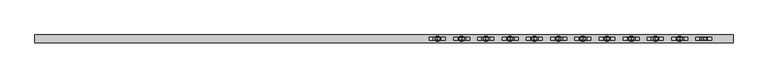
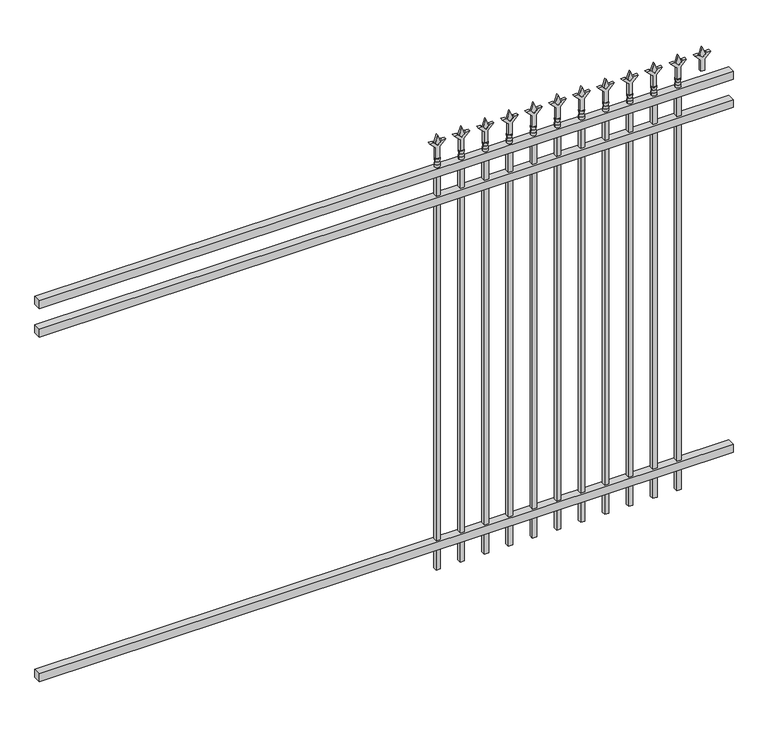
"""IFC4 building model written with IfcOpenShell, lengths in millimetres: railing geometry."""

from ifc_helpers import new_model, si_unit, frame, origin, place, context, project, spatial, polyline, circle_curve, outline, extrude, source, transform, mapped, element, save
from ifc_brep_helpers import plane_surface, cylinder_surface, revolved_surface, advanced_brep


def railing_0058c132(model_context):
    return source(origin(), model_context, "Body", "SolidModel", [
        extrude(outline(polyline([(-61345.318087, -652.7195174), (-61345.318087, -617.7945174), (-58195.718087, -617.7945174), (-58195.718087, -652.7195174), (-61345.318087, -652.7195174)])), frame((0.0, 0.0, 1943.1), z_axis=(0.0, 0.0, 1.0), x_axis=(1.0, 0.0, 0.0)), (0.0, 0.0, 1.0), 38.1),
        extrude(outline(polyline([(-61345.318087, -652.7195174), (-61345.318087, -617.7945174), (-58195.718087, -617.7945174), (-58195.718087, -652.7195174), (-61345.318087, -652.7195174)])), frame((0.0, 0.0, 1806.575), z_axis=(0.0, 0.0, 1.0), x_axis=(1.0, 0.0, 0.0)), (0.0, 0.0, 1.0), 38.1),
        extrude(outline(polyline([(-61345.318087, -652.7195174), (-61345.318087, -617.7945174), (-58195.718087, -617.7945174), (-58195.718087, -652.7195174), (-61345.318087, -652.7195174)])), frame((0.0, 0.0, 152.4), z_axis=(0.0, 0.0, 1.0), x_axis=(1.0, 0.0, 0.0)), (0.0, 0.0, 1.0), 38.1),
        extrude(outline(polyline([(2097.88125, -58424.8472536), (2133.6, -58436.7535036), (2097.88125, -58448.6597536), (2085.975, -58436.7535036), (2097.88125, -58424.8472536)])), frame((0.0, -640.0195174, 0.0), z_axis=(0.0, 1.0, 0.0), x_axis=(0.0, 0.0, 1.0)), (0.0, 0.0, 1.0), 9.525),
        extrude(outline(polyline([(2022.475, -58428.0222536), (2076.7457378, -58428.0222536), (2103.9355122, -58400.8324791), (2103.9355122, -58418.7929914), (2085.975, -58436.7535036), (2103.9355122, -58454.7140159), (2103.9355122, -58472.6745281), (2076.7457378, -58445.4847536), (2022.475, -58445.4847536), (2022.475, -58428.0222536)])), frame((0.0, -641.6070174, 0.0), z_axis=(0.0, 1.0, 0.0), x_axis=(0.0, 0.0, 1.0)), (0.0, 0.0, 1.0), 12.7),
        advanced_brep(
        [(-58424.8472536, -635.2570174, 1993.9), (-58448.6597536, -635.2570174, 1993.9), (-58448.6597536, -635.2570174, 1981.2), (-58424.8472536, -635.2570174, 1981.2), (-58427.0525855, -635.2570174, 2006.4070585), (-58446.4544218, -635.2570174, 2006.4070585), (-58424.8472536, -635.2570174, 2022.475), (-58448.6597536, -635.2570174, 2022.475), (-58436.7535036, -635.2570174, 2022.475), (-58436.7535036, -635.2570174, 1981.2)],
        [
            (0, 1, circle_curve(frame((-58436.7535036, -635.2570174, 1993.9), z_axis=(0.0, 0.0, -1.0), x_axis=(-1.0, 0.0, 0.0)), 11.90625)),
            (1, 2),
            (2, 3, circle_curve(frame((-58436.7535036, -635.2570174, 1981.2), z_axis=(0.0, 0.0, 1.0), x_axis=(-1.0, 0.0, 0.0)), 11.90625)),
            (3, 0),
            (1, 0, circle_curve(frame((-58436.7535036, -635.2570174, 1993.9), z_axis=(0.0, 0.0, -1.0), x_axis=(-1.0, 0.0, 0.0)), 11.90625)),
            (3, 2, circle_curve(frame((-58436.7535036, -635.2570174, 1981.2), z_axis=(0.0, 0.0, 1.0), x_axis=(-1.0, 0.0, 0.0)), 11.90625)),
            (4, 5, circle_curve(frame((-58436.7535036, -635.2570174, 2006.4070585), z_axis=(0.0, 0.0, -1.0), x_axis=(-1.0, 0.0, 0.0)), 9.7009181)),
            (5, 1),
            (0, 4),
            (5, 4, circle_curve(frame((-58436.7535036, -635.2570174, 2006.4070585), z_axis=(0.0, 0.0, -1.0), x_axis=(-1.0, 0.0, 0.0)), 9.7009181)),
            (6, 7, circle_curve(frame((-58436.7535036, -635.2570174, 2022.475), z_axis=(0.0, 0.0, -1.0), x_axis=(-1.0, 0.0, 0.0)), 11.90625)),
            (7, 5),
            (4, 6),
            (7, 6, circle_curve(frame((-58436.7535036, -635.2570174, 2022.475), z_axis=(0.0, 0.0, -1.0), x_axis=(-1.0, 0.0, 0.0)), 11.90625)),
            (8, 7),
            (6, 8),
            (2, 9),
            (9, 3),
        ],
        [
            cylinder_surface(frame((-58436.7535036, -635.2570174, 1981.2), z_axis=(0.0, 0.0, 1.0), x_axis=(-1.0, 0.0, 0.0)), 11.90625),
            revolved_surface(polyline([(-58448.6597536, -635.2570174, 1993.9), (-58446.4544218, -635.2570174, 2006.4070585)]), (-58436.7535036, -635.2570174, 1981.2), (0.0, 0.0, 1.0)),
            revolved_surface(polyline([(-58446.4544218, -635.2570174, 2006.4070585), (-58448.6597536, -635.2570174, 2022.475)]), (-58436.7535036, -635.2570174, 1981.2), (0.0, 0.0, 1.0)),
            plane_surface(frame((-58436.7535036, -635.2570174, 2022.475), z_axis=(0.0, 0.0, 1.0), x_axis=(-1.0, 0.0, 0.0))),
            plane_surface(frame((-58436.7535036, -635.2570174, 1981.2), z_axis=(0.0, 0.0, -1.0), x_axis=(-1.0, 0.0, 0.0))),
        ],
        [
            (0, [[1, 2, 3, 4]]),
            (0, [[5, -4, 6, -2]]),
            (1, [[7, 8, -1, 9]]),
            (1, [[10, -9, -5, -8]]),
            (2, [[11, 12, -7, 13]]),
            (2, [[14, -13, -10, -12]]),
            (3, [[15, -11, 16]]),
            (3, [[-16, -14, -15]]),
            (4, [[-3, 17, 18]]),
            (4, [[-6, -18, -17]]),
        ],
    ),
        extrude(outline(polyline([(-58446.2785036, -625.7320174), (-58427.2285036, -625.7320174), (-58427.2285036, -644.7820174), (-58446.2785036, -644.7820174), (-58446.2785036, -625.7320174)])), frame((0.0, 0.0, 50.8), z_axis=(0.0, 0.0, 1.0), x_axis=(1.0, 0.0, 0.0)), (0.0, 0.0, 1.0), 1930.4),
        extrude(outline(polyline([(2097.88125, -58534.1201703), (2133.6, -58546.0264203), (2097.88125, -58557.9326703), (2085.975, -58546.0264203), (2097.88125, -58534.1201703)])), frame((0.0, -640.0195174, 0.0), z_axis=(0.0, 1.0, 0.0), x_axis=(0.0, 0.0, 1.0)), (0.0, 0.0, 1.0), 9.525),
        extrude(outline(polyline([(2022.475, -58537.2951703), (2076.7457378, -58537.2951703), (2103.9355122, -58510.1053958), (2103.9355122, -58528.0659081), (2085.975, -58546.0264203), (2103.9355122, -58563.9869325), (2103.9355122, -58581.9474448), (2076.7457378, -58554.7576703), (2022.475, -58554.7576703), (2022.475, -58537.2951703)])), frame((0.0, -641.6070174, 0.0), z_axis=(0.0, 1.0, 0.0), x_axis=(0.0, 0.0, 1.0)), (0.0, 0.0, 1.0), 12.7),
        advanced_brep(
        [(-58534.1201703, -635.2570174, 1993.9), (-58557.9326703, -635.2570174, 1993.9), (-58557.9326703, -635.2570174, 1981.2), (-58534.1201703, -635.2570174, 1981.2), (-58536.3255022, -635.2570174, 2006.4070585), (-58555.7273384, -635.2570174, 2006.4070585), (-58534.1201703, -635.2570174, 2022.475), (-58557.9326703, -635.2570174, 2022.475), (-58546.0264203, -635.2570174, 2022.475), (-58546.0264203, -635.2570174, 1981.2)],
        [
            (0, 1, circle_curve(frame((-58546.0264203, -635.2570174, 1993.9), z_axis=(0.0, 0.0, -1.0), x_axis=(-1.0, 0.0, 0.0)), 11.90625)),
            (1, 2),
            (2, 3, circle_curve(frame((-58546.0264203, -635.2570174, 1981.2), z_axis=(0.0, 0.0, 1.0), x_axis=(-1.0, 0.0, 0.0)), 11.90625)),
            (3, 0),
            (1, 0, circle_curve(frame((-58546.0264203, -635.2570174, 1993.9), z_axis=(0.0, 0.0, -1.0), x_axis=(-1.0, 0.0, 0.0)), 11.90625)),
            (3, 2, circle_curve(frame((-58546.0264203, -635.2570174, 1981.2), z_axis=(0.0, 0.0, 1.0), x_axis=(-1.0, 0.0, 0.0)), 11.90625)),
            (4, 5, circle_curve(frame((-58546.0264203, -635.2570174, 2006.4070585), z_axis=(0.0, 0.0, -1.0), x_axis=(-1.0, 0.0, 0.0)), 9.7009181)),
            (5, 1),
            (0, 4),
            (5, 4, circle_curve(frame((-58546.0264203, -635.2570174, 2006.4070585), z_axis=(0.0, 0.0, -1.0), x_axis=(-1.0, 0.0, 0.0)), 9.7009181)),
            (6, 7, circle_curve(frame((-58546.0264203, -635.2570174, 2022.475), z_axis=(0.0, 0.0, -1.0), x_axis=(-1.0, 0.0, 0.0)), 11.90625)),
            (7, 5),
            (4, 6),
            (7, 6, circle_curve(frame((-58546.0264203, -635.2570174, 2022.475), z_axis=(0.0, 0.0, -1.0), x_axis=(-1.0, 0.0, 0.0)), 11.90625)),
            (8, 7),
            (6, 8),
            (2, 9),
            (9, 3),
        ],
        [
            cylinder_surface(frame((-58546.0264203, -635.2570174, 1981.2), z_axis=(0.0, 0.0, 1.0), x_axis=(-1.0, 0.0, 0.0)), 11.90625),
            revolved_surface(polyline([(-58557.9326703, -635.2570174, 1993.9), (-58555.7273384, -635.2570174, 2006.4070585)]), (-58546.0264203, -635.2570174, 1981.2), (0.0, 0.0, 1.0)),
            revolved_surface(polyline([(-58555.7273384, -635.2570174, 2006.4070585), (-58557.9326703, -635.2570174, 2022.475)]), (-58546.0264203, -635.2570174, 1981.2), (0.0, 0.0, 1.0)),
            plane_surface(frame((-58546.0264203, -635.2570174, 2022.475), z_axis=(0.0, 0.0, 1.0), x_axis=(-1.0, 0.0, 0.0))),
            plane_surface(frame((-58546.0264203, -635.2570174, 1981.2), z_axis=(0.0, 0.0, -1.0), x_axis=(-1.0, 0.0, 0.0))),
        ],
        [
            (0, [[1, 2, 3, 4]]),
            (0, [[5, -4, 6, -2]]),
            (1, [[7, 8, -1, 9]]),
            (1, [[10, -9, -5, -8]]),
            (2, [[11, 12, -7, 13]]),
            (2, [[14, -13, -10, -12]]),
            (3, [[15, -11, 16]]),
            (3, [[-16, -14, -15]]),
            (4, [[-3, 17, 18]]),
            (4, [[-6, -18, -17]]),
        ],
    ),
        extrude(outline(polyline([(-58555.5514203, -625.7320174), (-58536.5014203, -625.7320174), (-58536.5014203, -644.7820174), (-58555.5514203, -644.7820174), (-58555.5514203, -625.7320174)])), frame((0.0, 0.0, 50.8), z_axis=(0.0, 0.0, 1.0), x_axis=(1.0, 0.0, 0.0)), (0.0, 0.0, 1.0), 1930.4),
        extrude(outline(polyline([(2097.88125, -58643.393087), (2133.6, -58655.299337), (2097.88125, -58667.205587), (2085.975, -58655.299337), (2097.88125, -58643.393087)])), frame((0.0, -640.0195174, 0.0), z_axis=(0.0, 1.0, 0.0), x_axis=(0.0, 0.0, 1.0)), (0.0, 0.0, 1.0), 9.525),
        extrude(outline(polyline([(2022.475, -58646.568087), (2076.7457378, -58646.568087), (2103.9355122, -58619.3783125), (2103.9355122, -58637.3388247), (2085.975, -58655.299337), (2103.9355122, -58673.2598492), (2103.9355122, -58691.2203614), (2076.7457378, -58664.030587), (2022.475, -58664.030587), (2022.475, -58646.568087)])), frame((0.0, -641.6070174, 0.0), z_axis=(0.0, 1.0, 0.0), x_axis=(0.0, 0.0, 1.0)), (0.0, 0.0, 1.0), 12.7),
        advanced_brep(
        [(-58643.393087, -635.2570174, 1993.9), (-58667.205587, -635.2570174, 1993.9), (-58667.205587, -635.2570174, 1981.2), (-58643.393087, -635.2570174, 1981.2), (-58645.5984188, -635.2570174, 2006.4070585), (-58665.0002551, -635.2570174, 2006.4070585), (-58643.393087, -635.2570174, 2022.475), (-58667.205587, -635.2570174, 2022.475), (-58655.299337, -635.2570174, 2022.475), (-58655.299337, -635.2570174, 1981.2)],
        [
            (0, 1, circle_curve(frame((-58655.299337, -635.2570174, 1993.9), z_axis=(0.0, 0.0, -1.0), x_axis=(-1.0, 0.0, 0.0)), 11.90625)),
            (1, 2),
            (2, 3, circle_curve(frame((-58655.299337, -635.2570174, 1981.2), z_axis=(0.0, 0.0, 1.0), x_axis=(-1.0, 0.0, 0.0)), 11.90625)),
            (3, 0),
            (1, 0, circle_curve(frame((-58655.299337, -635.2570174, 1993.9), z_axis=(0.0, 0.0, -1.0), x_axis=(-1.0, 0.0, 0.0)), 11.90625)),
            (3, 2, circle_curve(frame((-58655.299337, -635.2570174, 1981.2), z_axis=(0.0, 0.0, 1.0), x_axis=(-1.0, 0.0, 0.0)), 11.90625)),
            (4, 5, circle_curve(frame((-58655.299337, -635.2570174, 2006.4070585), z_axis=(0.0, 0.0, -1.0), x_axis=(-1.0, 0.0, 0.0)), 9.7009181)),
            (5, 1),
            (0, 4),
            (5, 4, circle_curve(frame((-58655.299337, -635.2570174, 2006.4070585), z_axis=(0.0, 0.0, -1.0), x_axis=(-1.0, 0.0, 0.0)), 9.7009181)),
            (6, 7, circle_curve(frame((-58655.299337, -635.2570174, 2022.475), z_axis=(0.0, 0.0, -1.0), x_axis=(-1.0, 0.0, 0.0)), 11.90625)),
            (7, 5),
            (4, 6),
            (7, 6, circle_curve(frame((-58655.299337, -635.2570174, 2022.475), z_axis=(0.0, 0.0, -1.0), x_axis=(-1.0, 0.0, 0.0)), 11.90625)),
            (8, 7),
            (6, 8),
            (2, 9),
            (9, 3),
        ],
        [
            cylinder_surface(frame((-58655.299337, -635.2570174, 1981.2), z_axis=(0.0, 0.0, 1.0), x_axis=(-1.0, 0.0, 0.0)), 11.90625),
            revolved_surface(polyline([(-58667.205587, -635.2570174, 1993.9), (-58665.0002551, -635.2570174, 2006.4070585)]), (-58655.299337, -635.2570174, 1981.2), (0.0, 0.0, 1.0)),
            revolved_surface(polyline([(-58665.0002551, -635.2570174, 2006.4070585), (-58667.205587, -635.2570174, 2022.475)]), (-58655.299337, -635.2570174, 1981.2), (0.0, 0.0, 1.0)),
            plane_surface(frame((-58655.299337, -635.2570174, 2022.475), z_axis=(0.0, 0.0, 1.0), x_axis=(-1.0, 0.0, 0.0))),
            plane_surface(frame((-58655.299337, -635.2570174, 1981.2), z_axis=(0.0, 0.0, -1.0), x_axis=(-1.0, 0.0, 0.0))),
        ],
        [
            (0, [[1, 2, 3, 4]]),
            (0, [[5, -4, 6, -2]]),
            (1, [[7, 8, -1, 9]]),
            (1, [[10, -9, -5, -8]]),
            (2, [[11, 12, -7, 13]]),
            (2, [[14, -13, -10, -12]]),
            (3, [[15, -11, 16]]),
            (3, [[-16, -14, -15]]),
            (4, [[-3, 17, 18]]),
            (4, [[-6, -18, -17]]),
        ],
    ),
        extrude(outline(polyline([(-58664.824337, -625.7320174), (-58645.774337, -625.7320174), (-58645.774337, -644.7820174), (-58664.824337, -644.7820174), (-58664.824337, -625.7320174)])), frame((0.0, 0.0, 50.8), z_axis=(0.0, 0.0, 1.0), x_axis=(1.0, 0.0, 0.0)), (0.0, 0.0, 1.0), 1930.4),
        extrude(outline(polyline([(2097.88125, -58752.6660036), (2133.6, -58764.5722536), (2097.88125, -58776.4785036), (2085.975, -58764.5722536), (2097.88125, -58752.6660036)])), frame((0.0, -640.0195174, 0.0), z_axis=(0.0, 1.0, 0.0), x_axis=(0.0, 0.0, 1.0)), (0.0, 0.0, 1.0), 9.525),
        extrude(outline(polyline([(2022.475, -58755.8410036), (2076.7457378, -58755.8410036), (2103.9355122, -58728.6512291), (2103.9355122, -58746.6117414), (2085.975, -58764.5722536), (2103.9355122, -58782.5327659), (2103.9355122, -58800.4932781), (2076.7457378, -58773.3035036), (2022.475, -58773.3035036), (2022.475, -58755.8410036)])), frame((0.0, -641.6070174, 0.0), z_axis=(0.0, 1.0, 0.0), x_axis=(0.0, 0.0, 1.0)), (0.0, 0.0, 1.0), 12.7),
        advanced_brep(
        [(-58752.6660036, -635.2570174, 1993.9), (-58776.4785036, -635.2570174, 1993.9), (-58776.4785036, -635.2570174, 1981.2), (-58752.6660036, -635.2570174, 1981.2), (-58754.8713355, -635.2570174, 2006.4070585), (-58774.2731718, -635.2570174, 2006.4070585), (-58752.6660036, -635.2570174, 2022.475), (-58776.4785036, -635.2570174, 2022.475), (-58764.5722536, -635.2570174, 2022.475), (-58764.5722536, -635.2570174, 1981.2)],
        [
            (0, 1, circle_curve(frame((-58764.5722536, -635.2570174, 1993.9), z_axis=(0.0, 0.0, -1.0), x_axis=(-1.0, 0.0, 0.0)), 11.90625)),
            (1, 2),
            (2, 3, circle_curve(frame((-58764.5722536, -635.2570174, 1981.2), z_axis=(0.0, 0.0, 1.0), x_axis=(-1.0, 0.0, 0.0)), 11.90625)),
            (3, 0),
            (1, 0, circle_curve(frame((-58764.5722536, -635.2570174, 1993.9), z_axis=(0.0, 0.0, -1.0), x_axis=(-1.0, 0.0, 0.0)), 11.90625)),
            (3, 2, circle_curve(frame((-58764.5722536, -635.2570174, 1981.2), z_axis=(0.0, 0.0, 1.0), x_axis=(-1.0, 0.0, 0.0)), 11.90625)),
            (4, 5, circle_curve(frame((-58764.5722536, -635.2570174, 2006.4070585), z_axis=(0.0, 0.0, -1.0), x_axis=(-1.0, 0.0, 0.0)), 9.7009181)),
            (5, 1),
            (0, 4),
            (5, 4, circle_curve(frame((-58764.5722536, -635.2570174, 2006.4070585), z_axis=(0.0, 0.0, -1.0), x_axis=(-1.0, 0.0, 0.0)), 9.7009181)),
            (6, 7, circle_curve(frame((-58764.5722536, -635.2570174, 2022.475), z_axis=(0.0, 0.0, -1.0), x_axis=(-1.0, 0.0, 0.0)), 11.90625)),
            (7, 5),
            (4, 6),
            (7, 6, circle_curve(frame((-58764.5722536, -635.2570174, 2022.475), z_axis=(0.0, 0.0, -1.0), x_axis=(-1.0, 0.0, 0.0)), 11.90625)),
            (8, 7),
            (6, 8),
            (2, 9),
            (9, 3),
        ],
        [
            cylinder_surface(frame((-58764.5722536, -635.2570174, 1981.2), z_axis=(0.0, 0.0, 1.0), x_axis=(-1.0, 0.0, 0.0)), 11.90625),
            revolved_surface(polyline([(-58776.4785036, -635.2570174, 1993.9), (-58774.2731718, -635.2570174, 2006.4070585)]), (-58764.5722536, -635.2570174, 1981.2), (0.0, 0.0, 1.0)),
            revolved_surface(polyline([(-58774.2731718, -635.2570174, 2006.4070585), (-58776.4785036, -635.2570174, 2022.475)]), (-58764.5722536, -635.2570174, 1981.2), (0.0, 0.0, 1.0)),
            plane_surface(frame((-58764.5722536, -635.2570174, 2022.475), z_axis=(0.0, 0.0, 1.0), x_axis=(-1.0, 0.0, 0.0))),
            plane_surface(frame((-58764.5722536, -635.2570174, 1981.2), z_axis=(0.0, 0.0, -1.0), x_axis=(-1.0, 0.0, 0.0))),
        ],
        [
            (0, [[1, 2, 3, 4]]),
            (0, [[5, -4, 6, -2]]),
            (1, [[7, 8, -1, 9]]),
            (1, [[10, -9, -5, -8]]),
            (2, [[11, 12, -7, 13]]),
            (2, [[14, -13, -10, -12]]),
            (3, [[15, -11, 16]]),
            (3, [[-16, -14, -15]]),
            (4, [[-3, 17, 18]]),
            (4, [[-6, -18, -17]]),
        ],
    ),
        extrude(outline(polyline([(-58774.0972536, -625.7320174), (-58755.0472536, -625.7320174), (-58755.0472536, -644.7820174), (-58774.0972536, -644.7820174), (-58774.0972536, -625.7320174)])), frame((0.0, 0.0, 50.8), z_axis=(0.0, 0.0, 1.0), x_axis=(1.0, 0.0, 0.0)), (0.0, 0.0, 1.0), 1930.4),
        extrude(outline(polyline([(2097.88125, -58861.9389203), (2133.6, -58873.8451703), (2097.88125, -58885.7514203), (2085.975, -58873.8451703), (2097.88125, -58861.9389203)])), frame((0.0, -640.0195174, 0.0), z_axis=(0.0, 1.0, 0.0), x_axis=(0.0, 0.0, 1.0)), (0.0, 0.0, 1.0), 9.525),
        extrude(outline(polyline([(2022.475, -58865.1139203), (2076.7457378, -58865.1139203), (2103.9355122, -58837.9241458), (2103.9355122, -58855.8846581), (2085.975, -58873.8451703), (2103.9355122, -58891.8056825), (2103.9355122, -58909.7661948), (2076.7457378, -58882.5764203), (2022.475, -58882.5764203), (2022.475, -58865.1139203)])), frame((0.0, -641.6070174, 0.0), z_axis=(0.0, 1.0, 0.0), x_axis=(0.0, 0.0, 1.0)), (0.0, 0.0, 1.0), 12.7),
        advanced_brep(
        [(-58861.9389203, -635.2570174, 1993.9), (-58885.7514203, -635.2570174, 1993.9), (-58885.7514203, -635.2570174, 1981.2), (-58861.9389203, -635.2570174, 1981.2), (-58864.1442522, -635.2570174, 2006.4070585), (-58883.5460884, -635.2570174, 2006.4070585), (-58861.9389203, -635.2570174, 2022.475), (-58885.7514203, -635.2570174, 2022.475), (-58873.8451703, -635.2570174, 2022.475), (-58873.8451703, -635.2570174, 1981.2)],
        [
            (0, 1, circle_curve(frame((-58873.8451703, -635.2570174, 1993.9), z_axis=(0.0, 0.0, -1.0), x_axis=(-1.0, 0.0, 0.0)), 11.90625)),
            (1, 2),
            (2, 3, circle_curve(frame((-58873.8451703, -635.2570174, 1981.2), z_axis=(0.0, 0.0, 1.0), x_axis=(-1.0, 0.0, 0.0)), 11.90625)),
            (3, 0),
            (1, 0, circle_curve(frame((-58873.8451703, -635.2570174, 1993.9), z_axis=(0.0, 0.0, -1.0), x_axis=(-1.0, 0.0, 0.0)), 11.90625)),
            (3, 2, circle_curve(frame((-58873.8451703, -635.2570174, 1981.2), z_axis=(0.0, 0.0, 1.0), x_axis=(-1.0, 0.0, 0.0)), 11.90625)),
            (4, 5, circle_curve(frame((-58873.8451703, -635.2570174, 2006.4070585), z_axis=(0.0, 0.0, -1.0), x_axis=(-1.0, 0.0, 0.0)), 9.7009181)),
            (5, 1),
            (0, 4),
            (5, 4, circle_curve(frame((-58873.8451703, -635.2570174, 2006.4070585), z_axis=(0.0, 0.0, -1.0), x_axis=(-1.0, 0.0, 0.0)), 9.7009181)),
            (6, 7, circle_curve(frame((-58873.8451703, -635.2570174, 2022.475), z_axis=(0.0, 0.0, -1.0), x_axis=(-1.0, 0.0, 0.0)), 11.90625)),
            (7, 5),
            (4, 6),
            (7, 6, circle_curve(frame((-58873.8451703, -635.2570174, 2022.475), z_axis=(0.0, 0.0, -1.0), x_axis=(-1.0, 0.0, 0.0)), 11.90625)),
            (8, 7),
            (6, 8),
            (2, 9),
            (9, 3),
        ],
        [
            cylinder_surface(frame((-58873.8451703, -635.2570174, 1981.2), z_axis=(0.0, 0.0, 1.0), x_axis=(-1.0, 0.0, 0.0)), 11.90625),
            revolved_surface(polyline([(-58885.7514203, -635.2570174, 1993.9), (-58883.5460884, -635.2570174, 2006.4070585)]), (-58873.8451703, -635.2570174, 1981.2), (0.0, 0.0, 1.0)),
            revolved_surface(polyline([(-58883.5460884, -635.2570174, 2006.4070585), (-58885.7514203, -635.2570174, 2022.475)]), (-58873.8451703, -635.2570174, 1981.2), (0.0, 0.0, 1.0)),
            plane_surface(frame((-58873.8451703, -635.2570174, 2022.475), z_axis=(0.0, 0.0, 1.0), x_axis=(-1.0, 0.0, 0.0))),
            plane_surface(frame((-58873.8451703, -635.2570174, 1981.2), z_axis=(0.0, 0.0, -1.0), x_axis=(-1.0, 0.0, 0.0))),
        ],
        [
            (0, [[1, 2, 3, 4]]),
            (0, [[5, -4, 6, -2]]),
            (1, [[7, 8, -1, 9]]),
            (1, [[10, -9, -5, -8]]),
            (2, [[11, 12, -7, 13]]),
            (2, [[14, -13, -10, -12]]),
            (3, [[15, -11, 16]]),
            (3, [[-16, -14, -15]]),
            (4, [[-3, 17, 18]]),
            (4, [[-6, -18, -17]]),
        ],
    ),
        extrude(outline(polyline([(-58883.3701703, -625.7320174), (-58864.3201703, -625.7320174), (-58864.3201703, -644.7820174), (-58883.3701703, -644.7820174), (-58883.3701703, -625.7320174)])), frame((0.0, 0.0, 50.8), z_axis=(0.0, 0.0, 1.0), x_axis=(1.0, 0.0, 0.0)), (0.0, 0.0, 1.0), 1930.4),
        extrude(outline(polyline([(2097.88125, -58971.211837), (2133.6, -58983.118087), (2097.88125, -58995.024337), (2085.975, -58983.118087), (2097.88125, -58971.211837)])), frame((0.0, -640.0195174, 0.0), z_axis=(0.0, 1.0, 0.0), x_axis=(0.0, 0.0, 1.0)), (0.0, 0.0, 1.0), 9.525),
        extrude(outline(polyline([(2022.475, -58974.386837), (2076.7457378, -58974.386837), (2103.9355122, -58947.1970625), (2103.9355122, -58965.1575747), (2085.975, -58983.118087), (2103.9355122, -59001.0785992), (2103.9355122, -59019.0391114), (2076.7457378, -58991.849337), (2022.475, -58991.849337), (2022.475, -58974.386837)])), frame((0.0, -641.6070174, 0.0), z_axis=(0.0, 1.0, 0.0), x_axis=(0.0, 0.0, 1.0)), (0.0, 0.0, 1.0), 12.7),
        advanced_brep(
        [(-58971.211837, -635.2570174, 1993.9), (-58995.024337, -635.2570174, 1993.9), (-58995.024337, -635.2570174, 1981.2), (-58971.211837, -635.2570174, 1981.2), (-58973.4171688, -635.2570174, 2006.4070585), (-58992.8190051, -635.2570174, 2006.4070585), (-58971.211837, -635.2570174, 2022.475), (-58995.024337, -635.2570174, 2022.475), (-58983.118087, -635.2570174, 2022.475), (-58983.118087, -635.2570174, 1981.2)],
        [
            (0, 1, circle_curve(frame((-58983.118087, -635.2570174, 1993.9), z_axis=(0.0, 0.0, -1.0), x_axis=(-1.0, 0.0, 0.0)), 11.90625)),
            (1, 2),
            (2, 3, circle_curve(frame((-58983.118087, -635.2570174, 1981.2), z_axis=(0.0, 0.0, 1.0), x_axis=(-1.0, 0.0, 0.0)), 11.90625)),
            (3, 0),
            (1, 0, circle_curve(frame((-58983.118087, -635.2570174, 1993.9), z_axis=(0.0, 0.0, -1.0), x_axis=(-1.0, 0.0, 0.0)), 11.90625)),
            (3, 2, circle_curve(frame((-58983.118087, -635.2570174, 1981.2), z_axis=(0.0, 0.0, 1.0), x_axis=(-1.0, 0.0, 0.0)), 11.90625)),
            (4, 5, circle_curve(frame((-58983.118087, -635.2570174, 2006.4070585), z_axis=(0.0, 0.0, -1.0), x_axis=(-1.0, 0.0, 0.0)), 9.7009181)),
            (5, 1),
            (0, 4),
            (5, 4, circle_curve(frame((-58983.118087, -635.2570174, 2006.4070585), z_axis=(0.0, 0.0, -1.0), x_axis=(-1.0, 0.0, 0.0)), 9.7009181)),
            (6, 7, circle_curve(frame((-58983.118087, -635.2570174, 2022.475), z_axis=(0.0, 0.0, -1.0), x_axis=(-1.0, 0.0, 0.0)), 11.90625)),
            (7, 5),
            (4, 6),
            (7, 6, circle_curve(frame((-58983.118087, -635.2570174, 2022.475), z_axis=(0.0, 0.0, -1.0), x_axis=(-1.0, 0.0, 0.0)), 11.90625)),
            (8, 7),
            (6, 8),
            (2, 9),
            (9, 3),
        ],
        [
            cylinder_surface(frame((-58983.118087, -635.2570174, 1981.2), z_axis=(0.0, 0.0, 1.0), x_axis=(-1.0, 0.0, 0.0)), 11.90625),
            revolved_surface(polyline([(-58995.024337, -635.2570174, 1993.9), (-58992.8190051, -635.2570174, 2006.4070585)]), (-58983.118087, -635.2570174, 1981.2), (0.0, 0.0, 1.0)),
            revolved_surface(polyline([(-58992.8190051, -635.2570174, 2006.4070585), (-58995.024337, -635.2570174, 2022.475)]), (-58983.118087, -635.2570174, 1981.2), (0.0, 0.0, 1.0)),
            plane_surface(frame((-58983.118087, -635.2570174, 2022.475), z_axis=(0.0, 0.0, 1.0), x_axis=(-1.0, 0.0, 0.0))),
            plane_surface(frame((-58983.118087, -635.2570174, 1981.2), z_axis=(0.0, 0.0, -1.0), x_axis=(-1.0, 0.0, 0.0))),
        ],
        [
            (0, [[1, 2, 3, 4]]),
            (0, [[5, -4, 6, -2]]),
            (1, [[7, 8, -1, 9]]),
            (1, [[10, -9, -5, -8]]),
            (2, [[11, 12, -7, 13]]),
            (2, [[14, -13, -10, -12]]),
            (3, [[15, -11, 16]]),
            (3, [[-16, -14, -15]]),
            (4, [[-3, 17, 18]]),
            (4, [[-6, -18, -17]]),
        ],
    ),
        extrude(outline(polyline([(-58992.643087, -625.7320174), (-58973.593087, -625.7320174), (-58973.593087, -644.7820174), (-58992.643087, -644.7820174), (-58992.643087, -625.7320174)])), frame((0.0, 0.0, 50.8), z_axis=(0.0, 0.0, 1.0), x_axis=(1.0, 0.0, 0.0)), (0.0, 0.0, 1.0), 1930.4),
        extrude(outline(polyline([(2097.88125, -59080.4847536), (2133.6, -59092.3910036), (2097.88125, -59104.2972536), (2085.975, -59092.3910036), (2097.88125, -59080.4847536)])), frame((0.0, -640.0195174, 0.0), z_axis=(0.0, 1.0, 0.0), x_axis=(0.0, 0.0, 1.0)), (0.0, 0.0, 1.0), 9.525),
        extrude(outline(polyline([(2022.475, -59083.6597536), (2076.7457378, -59083.6597536), (2103.9355122, -59056.4699791), (2103.9355122, -59074.4304914), (2085.975, -59092.3910036), (2103.9355122, -59110.3515159), (2103.9355122, -59128.3120281), (2076.7457378, -59101.1222536), (2022.475, -59101.1222536), (2022.475, -59083.6597536)])), frame((0.0, -641.6070174, 0.0), z_axis=(0.0, 1.0, 0.0), x_axis=(0.0, 0.0, 1.0)), (0.0, 0.0, 1.0), 12.7),
        advanced_brep(
        [(-59080.4847536, -635.2570174, 1993.9), (-59104.2972536, -635.2570174, 1993.9), (-59104.2972536, -635.2570174, 1981.2), (-59080.4847536, -635.2570174, 1981.2), (-59082.6900855, -635.2570174, 2006.4070585), (-59102.0919218, -635.2570174, 2006.4070585), (-59080.4847536, -635.2570174, 2022.475), (-59104.2972536, -635.2570174, 2022.475), (-59092.3910036, -635.2570174, 2022.475), (-59092.3910036, -635.2570174, 1981.2)],
        [
            (0, 1, circle_curve(frame((-59092.3910036, -635.2570174, 1993.9), z_axis=(0.0, 0.0, -1.0), x_axis=(-1.0, 0.0, 0.0)), 11.90625)),
            (1, 2),
            (2, 3, circle_curve(frame((-59092.3910036, -635.2570174, 1981.2), z_axis=(0.0, 0.0, 1.0), x_axis=(-1.0, 0.0, 0.0)), 11.90625)),
            (3, 0),
            (1, 0, circle_curve(frame((-59092.3910036, -635.2570174, 1993.9), z_axis=(0.0, 0.0, -1.0), x_axis=(-1.0, 0.0, 0.0)), 11.90625)),
            (3, 2, circle_curve(frame((-59092.3910036, -635.2570174, 1981.2), z_axis=(0.0, 0.0, 1.0), x_axis=(-1.0, 0.0, 0.0)), 11.90625)),
            (4, 5, circle_curve(frame((-59092.3910036, -635.2570174, 2006.4070585), z_axis=(0.0, 0.0, -1.0), x_axis=(-1.0, 0.0, 0.0)), 9.7009181)),
            (5, 1),
            (0, 4),
            (5, 4, circle_curve(frame((-59092.3910036, -635.2570174, 2006.4070585), z_axis=(0.0, 0.0, -1.0), x_axis=(-1.0, 0.0, 0.0)), 9.7009181)),
            (6, 7, circle_curve(frame((-59092.3910036, -635.2570174, 2022.475), z_axis=(0.0, 0.0, -1.0), x_axis=(-1.0, 0.0, 0.0)), 11.90625)),
            (7, 5),
            (4, 6),
            (7, 6, circle_curve(frame((-59092.3910036, -635.2570174, 2022.475), z_axis=(0.0, 0.0, -1.0), x_axis=(-1.0, 0.0, 0.0)), 11.90625)),
            (8, 7),
            (6, 8),
            (2, 9),
            (9, 3),
        ],
        [
            cylinder_surface(frame((-59092.3910036, -635.2570174, 1981.2), z_axis=(0.0, 0.0, 1.0), x_axis=(-1.0, 0.0, 0.0)), 11.90625),
            revolved_surface(polyline([(-59104.2972536, -635.2570174, 1993.9), (-59102.0919218, -635.2570174, 2006.4070585)]), (-59092.3910036, -635.2570174, 1981.2), (0.0, 0.0, 1.0)),
            revolved_surface(polyline([(-59102.0919218, -635.2570174, 2006.4070585), (-59104.2972536, -635.2570174, 2022.475)]), (-59092.3910036, -635.2570174, 1981.2), (0.0, 0.0, 1.0)),
            plane_surface(frame((-59092.3910036, -635.2570174, 2022.475), z_axis=(0.0, 0.0, 1.0), x_axis=(-1.0, 0.0, 0.0))),
            plane_surface(frame((-59092.3910036, -635.2570174, 1981.2), z_axis=(0.0, 0.0, -1.0), x_axis=(-1.0, 0.0, 0.0))),
        ],
        [
            (0, [[1, 2, 3, 4]]),
            (0, [[5, -4, 6, -2]]),
            (1, [[7, 8, -1, 9]]),
            (1, [[10, -9, -5, -8]]),
            (2, [[11, 12, -7, 13]]),
            (2, [[14, -13, -10, -12]]),
            (3, [[15, -11, 16]]),
            (3, [[-16, -14, -15]]),
            (4, [[-3, 17, 18]]),
            (4, [[-6, -18, -17]]),
        ],
    ),
        extrude(outline(polyline([(-59101.9160036, -625.7320174), (-59082.8660036, -625.7320174), (-59082.8660036, -644.7820174), (-59101.9160036, -644.7820174), (-59101.9160036, -625.7320174)])), frame((0.0, 0.0, 50.8), z_axis=(0.0, 0.0, 1.0), x_axis=(1.0, 0.0, 0.0)), (0.0, 0.0, 1.0), 1930.4),
        extrude(outline(polyline([(2097.88125, -59189.7576703), (2133.6, -59201.6639203), (2097.88125, -59213.5701703), (2085.975, -59201.6639203), (2097.88125, -59189.7576703)])), frame((0.0, -640.0195174, 0.0), z_axis=(0.0, 1.0, 0.0), x_axis=(0.0, 0.0, 1.0)), (0.0, 0.0, 1.0), 9.525),
        extrude(outline(polyline([(2022.475, -59192.9326703), (2076.7457378, -59192.9326703), (2103.9355122, -59165.7428958), (2103.9355122, -59183.7034081), (2085.975, -59201.6639203), (2103.9355122, -59219.6244325), (2103.9355122, -59237.5849448), (2076.7457378, -59210.3951703), (2022.475, -59210.3951703), (2022.475, -59192.9326703)])), frame((0.0, -641.6070174, 0.0), z_axis=(0.0, 1.0, 0.0), x_axis=(0.0, 0.0, 1.0)), (0.0, 0.0, 1.0), 12.7),
        advanced_brep(
        [(-59189.7576703, -635.2570174, 1993.9), (-59213.5701703, -635.2570174, 1993.9), (-59213.5701703, -635.2570174, 1981.2), (-59189.7576703, -635.2570174, 1981.2), (-59191.9630022, -635.2570174, 2006.4070585), (-59211.3648384, -635.2570174, 2006.4070585), (-59189.7576703, -635.2570174, 2022.475), (-59213.5701703, -635.2570174, 2022.475), (-59201.6639203, -635.2570174, 2022.475), (-59201.6639203, -635.2570174, 1981.2)],
        [
            (0, 1, circle_curve(frame((-59201.6639203, -635.2570174, 1993.9), z_axis=(0.0, 0.0, -1.0), x_axis=(-1.0, 0.0, 0.0)), 11.90625)),
            (1, 2),
            (2, 3, circle_curve(frame((-59201.6639203, -635.2570174, 1981.2), z_axis=(0.0, 0.0, 1.0), x_axis=(-1.0, 0.0, 0.0)), 11.90625)),
            (3, 0),
            (1, 0, circle_curve(frame((-59201.6639203, -635.2570174, 1993.9), z_axis=(0.0, 0.0, -1.0), x_axis=(-1.0, 0.0, 0.0)), 11.90625)),
            (3, 2, circle_curve(frame((-59201.6639203, -635.2570174, 1981.2), z_axis=(0.0, 0.0, 1.0), x_axis=(-1.0, 0.0, 0.0)), 11.90625)),
            (4, 5, circle_curve(frame((-59201.6639203, -635.2570174, 2006.4070585), z_axis=(0.0, 0.0, -1.0), x_axis=(-1.0, 0.0, 0.0)), 9.7009181)),
            (5, 1),
            (0, 4),
            (5, 4, circle_curve(frame((-59201.6639203, -635.2570174, 2006.4070585), z_axis=(0.0, 0.0, -1.0), x_axis=(-1.0, 0.0, 0.0)), 9.7009181)),
            (6, 7, circle_curve(frame((-59201.6639203, -635.2570174, 2022.475), z_axis=(0.0, 0.0, -1.0), x_axis=(-1.0, 0.0, 0.0)), 11.90625)),
            (7, 5),
            (4, 6),
            (7, 6, circle_curve(frame((-59201.6639203, -635.2570174, 2022.475), z_axis=(0.0, 0.0, -1.0), x_axis=(-1.0, 0.0, 0.0)), 11.90625)),
            (8, 7),
            (6, 8),
            (2, 9),
            (9, 3),
        ],
        [
            cylinder_surface(frame((-59201.6639203, -635.2570174, 1981.2), z_axis=(0.0, 0.0, 1.0), x_axis=(-1.0, 0.0, 0.0)), 11.90625),
            revolved_surface(polyline([(-59213.5701703, -635.2570174, 1993.9), (-59211.3648384, -635.2570174, 2006.4070585)]), (-59201.6639203, -635.2570174, 1981.2), (0.0, 0.0, 1.0)),
            revolved_surface(polyline([(-59211.3648384, -635.2570174, 2006.4070585), (-59213.5701703, -635.2570174, 2022.475)]), (-59201.6639203, -635.2570174, 1981.2), (0.0, 0.0, 1.0)),
            plane_surface(frame((-59201.6639203, -635.2570174, 2022.475), z_axis=(0.0, 0.0, 1.0), x_axis=(-1.0, 0.0, 0.0))),
            plane_surface(frame((-59201.6639203, -635.2570174, 1981.2), z_axis=(0.0, 0.0, -1.0), x_axis=(-1.0, 0.0, 0.0))),
        ],
        [
            (0, [[1, 2, 3, 4]]),
            (0, [[5, -4, 6, -2]]),
            (1, [[7, 8, -1, 9]]),
            (1, [[10, -9, -5, -8]]),
            (2, [[11, 12, -7, 13]]),
            (2, [[14, -13, -10, -12]]),
            (3, [[15, -11, 16]]),
            (3, [[-16, -14, -15]]),
            (4, [[-3, 17, 18]]),
            (4, [[-6, -18, -17]]),
        ],
    ),
        extrude(outline(polyline([(-59211.1889203, -625.7320174), (-59192.1389203, -625.7320174), (-59192.1389203, -644.7820174), (-59211.1889203, -644.7820174), (-59211.1889203, -625.7320174)])), frame((0.0, 0.0, 50.8), z_axis=(0.0, 0.0, 1.0), x_axis=(1.0, 0.0, 0.0)), (0.0, 0.0, 1.0), 1930.4),
        extrude(outline(polyline([(2097.88125, -59299.030587), (2133.6, -59310.936837), (2097.88125, -59322.843087), (2085.975, -59310.936837), (2097.88125, -59299.030587)])), frame((0.0, -640.0195174, 0.0), z_axis=(0.0, 1.0, 0.0), x_axis=(0.0, 0.0, 1.0)), (0.0, 0.0, 1.0), 9.525),
        extrude(outline(polyline([(2022.475, -59302.205587), (2076.7457378, -59302.205587), (2103.9355122, -59275.0158125), (2103.9355122, -59292.9763247), (2085.975, -59310.936837), (2103.9355122, -59328.8973492), (2103.9355122, -59346.8578614), (2076.7457378, -59319.668087), (2022.475, -59319.668087), (2022.475, -59302.205587)])), frame((0.0, -641.6070174, 0.0), z_axis=(0.0, 1.0, 0.0), x_axis=(0.0, 0.0, 1.0)), (0.0, 0.0, 1.0), 12.7),
        advanced_brep(
        [(-59299.030587, -635.2570174, 1993.9), (-59322.843087, -635.2570174, 1993.9), (-59322.843087, -635.2570174, 1981.2), (-59299.030587, -635.2570174, 1981.2), (-59301.2359188, -635.2570174, 2006.4070585), (-59320.6377551, -635.2570174, 2006.4070585), (-59299.030587, -635.2570174, 2022.475), (-59322.843087, -635.2570174, 2022.475), (-59310.936837, -635.2570174, 2022.475), (-59310.936837, -635.2570174, 1981.2)],
        [
            (0, 1, circle_curve(frame((-59310.936837, -635.2570174, 1993.9), z_axis=(0.0, 0.0, -1.0), x_axis=(-1.0, 0.0, 0.0)), 11.90625)),
            (1, 2),
            (2, 3, circle_curve(frame((-59310.936837, -635.2570174, 1981.2), z_axis=(0.0, 0.0, 1.0), x_axis=(-1.0, 0.0, 0.0)), 11.90625)),
            (3, 0),
            (1, 0, circle_curve(frame((-59310.936837, -635.2570174, 1993.9), z_axis=(0.0, 0.0, -1.0), x_axis=(-1.0, 0.0, 0.0)), 11.90625)),
            (3, 2, circle_curve(frame((-59310.936837, -635.2570174, 1981.2), z_axis=(0.0, 0.0, 1.0), x_axis=(-1.0, 0.0, 0.0)), 11.90625)),
            (4, 5, circle_curve(frame((-59310.936837, -635.2570174, 2006.4070585), z_axis=(0.0, 0.0, -1.0), x_axis=(-1.0, 0.0, 0.0)), 9.7009181)),
            (5, 1),
            (0, 4),
            (5, 4, circle_curve(frame((-59310.936837, -635.2570174, 2006.4070585), z_axis=(0.0, 0.0, -1.0), x_axis=(-1.0, 0.0, 0.0)), 9.7009181)),
            (6, 7, circle_curve(frame((-59310.936837, -635.2570174, 2022.475), z_axis=(0.0, 0.0, -1.0), x_axis=(-1.0, 0.0, 0.0)), 11.90625)),
            (7, 5),
            (4, 6),
            (7, 6, circle_curve(frame((-59310.936837, -635.2570174, 2022.475), z_axis=(0.0, 0.0, -1.0), x_axis=(-1.0, 0.0, 0.0)), 11.90625)),
            (8, 7),
            (6, 8),
            (2, 9),
            (9, 3),
        ],
        [
            cylinder_surface(frame((-59310.936837, -635.2570174, 1981.2), z_axis=(0.0, 0.0, 1.0), x_axis=(-1.0, 0.0, 0.0)), 11.90625),
            revolved_surface(polyline([(-59322.843087, -635.2570174, 1993.9), (-59320.6377551, -635.2570174, 2006.4070585)]), (-59310.936837, -635.2570174, 1981.2), (0.0, 0.0, 1.0)),
            revolved_surface(polyline([(-59320.6377551, -635.2570174, 2006.4070585), (-59322.843087, -635.2570174, 2022.475)]), (-59310.936837, -635.2570174, 1981.2), (0.0, 0.0, 1.0)),
            plane_surface(frame((-59310.936837, -635.2570174, 2022.475), z_axis=(0.0, 0.0, 1.0), x_axis=(-1.0, 0.0, 0.0))),
            plane_surface(frame((-59310.936837, -635.2570174, 1981.2), z_axis=(0.0, 0.0, -1.0), x_axis=(-1.0, 0.0, 0.0))),
        ],
        [
            (0, [[1, 2, 3, 4]]),
            (0, [[5, -4, 6, -2]]),
            (1, [[7, 8, -1, 9]]),
            (1, [[10, -9, -5, -8]]),
            (2, [[11, 12, -7, 13]]),
            (2, [[14, -13, -10, -12]]),
            (3, [[15, -11, 16]]),
            (3, [[-16, -14, -15]]),
            (4, [[-3, 17, 18]]),
            (4, [[-6, -18, -17]]),
        ],
    ),
        extrude(outline(polyline([(-59320.461837, -625.7320174), (-59301.411837, -625.7320174), (-59301.411837, -644.7820174), (-59320.461837, -644.7820174), (-59320.461837, -625.7320174)])), frame((0.0, 0.0, 50.8), z_axis=(0.0, 0.0, 1.0), x_axis=(1.0, 0.0, 0.0)), (0.0, 0.0, 1.0), 1930.4),
        extrude(outline(polyline([(2097.88125, -59408.3035036), (2133.6, -59420.2097536), (2097.88125, -59432.1160036), (2085.975, -59420.2097536), (2097.88125, -59408.3035036)])), frame((0.0, -640.0195174, 0.0), z_axis=(0.0, 1.0, 0.0), x_axis=(0.0, 0.0, 1.0)), (0.0, 0.0, 1.0), 9.525),
        extrude(outline(polyline([(2022.475, -59411.4785036), (2076.7457378, -59411.4785036), (2103.9355122, -59384.2887291), (2103.9355122, -59402.2492414), (2085.975, -59420.2097536), (2103.9355122, -59438.1702659), (2103.9355122, -59456.1307781), (2076.7457378, -59428.9410036), (2022.475, -59428.9410036), (2022.475, -59411.4785036)])), frame((0.0, -641.6070174, 0.0), z_axis=(0.0, 1.0, 0.0), x_axis=(0.0, 0.0, 1.0)), (0.0, 0.0, 1.0), 12.7),
        advanced_brep(
        [(-59408.3035036, -635.2570174, 1993.9), (-59432.1160036, -635.2570174, 1993.9), (-59432.1160036, -635.2570174, 1981.2), (-59408.3035036, -635.2570174, 1981.2), (-59410.5088355, -635.2570174, 2006.4070585), (-59429.9106718, -635.2570174, 2006.4070585), (-59408.3035036, -635.2570174, 2022.475), (-59432.1160036, -635.2570174, 2022.475), (-59420.2097536, -635.2570174, 2022.475), (-59420.2097536, -635.2570174, 1981.2)],
        [
            (0, 1, circle_curve(frame((-59420.2097536, -635.2570174, 1993.9), z_axis=(0.0, 0.0, -1.0), x_axis=(-1.0, 0.0, 0.0)), 11.90625)),
            (1, 2),
            (2, 3, circle_curve(frame((-59420.2097536, -635.2570174, 1981.2), z_axis=(0.0, 0.0, 1.0), x_axis=(-1.0, 0.0, 0.0)), 11.90625)),
            (3, 0),
            (1, 0, circle_curve(frame((-59420.2097536, -635.2570174, 1993.9), z_axis=(0.0, 0.0, -1.0), x_axis=(-1.0, 0.0, 0.0)), 11.90625)),
            (3, 2, circle_curve(frame((-59420.2097536, -635.2570174, 1981.2), z_axis=(0.0, 0.0, 1.0), x_axis=(-1.0, 0.0, 0.0)), 11.90625)),
            (4, 5, circle_curve(frame((-59420.2097536, -635.2570174, 2006.4070585), z_axis=(0.0, 0.0, -1.0), x_axis=(-1.0, 0.0, 0.0)), 9.7009181)),
            (5, 1),
            (0, 4),
            (5, 4, circle_curve(frame((-59420.2097536, -635.2570174, 2006.4070585), z_axis=(0.0, 0.0, -1.0), x_axis=(-1.0, 0.0, 0.0)), 9.7009181)),
            (6, 7, circle_curve(frame((-59420.2097536, -635.2570174, 2022.475), z_axis=(0.0, 0.0, -1.0), x_axis=(-1.0, 0.0, 0.0)), 11.90625)),
            (7, 5),
            (4, 6),
            (7, 6, circle_curve(frame((-59420.2097536, -635.2570174, 2022.475), z_axis=(0.0, 0.0, -1.0), x_axis=(-1.0, 0.0, 0.0)), 11.90625)),
            (8, 7),
            (6, 8),
            (2, 9),
            (9, 3),
        ],
        [
            cylinder_surface(frame((-59420.2097536, -635.2570174, 1981.2), z_axis=(0.0, 0.0, 1.0), x_axis=(-1.0, 0.0, 0.0)), 11.90625),
            revolved_surface(polyline([(-59432.1160036, -635.2570174, 1993.9), (-59429.9106718, -635.2570174, 2006.4070585)]), (-59420.2097536, -635.2570174, 1981.2), (0.0, 0.0, 1.0)),
            revolved_surface(polyline([(-59429.9106718, -635.2570174, 2006.4070585), (-59432.1160036, -635.2570174, 2022.475)]), (-59420.2097536, -635.2570174, 1981.2), (0.0, 0.0, 1.0)),
            plane_surface(frame((-59420.2097536, -635.2570174, 2022.475), z_axis=(0.0, 0.0, 1.0), x_axis=(-1.0, 0.0, 0.0))),
            plane_surface(frame((-59420.2097536, -635.2570174, 1981.2), z_axis=(0.0, 0.0, -1.0), x_axis=(-1.0, 0.0, 0.0))),
        ],
        [
            (0, [[1, 2, 3, 4]]),
            (0, [[5, -4, 6, -2]]),
            (1, [[7, 8, -1, 9]]),
            (1, [[10, -9, -5, -8]]),
            (2, [[11, 12, -7, 13]]),
            (2, [[14, -13, -10, -12]]),
            (3, [[15, -11, 16]]),
            (3, [[-16, -14, -15]]),
            (4, [[-3, 17, 18]]),
            (4, [[-6, -18, -17]]),
        ],
    ),
        extrude(outline(polyline([(-59429.7347536, -625.7320174), (-59410.6847536, -625.7320174), (-59410.6847536, -644.7820174), (-59429.7347536, -644.7820174), (-59429.7347536, -625.7320174)])), frame((0.0, 0.0, 50.8), z_axis=(0.0, 0.0, 1.0), x_axis=(1.0, 0.0, 0.0)), (0.0, 0.0, 1.0), 1930.4),
        extrude(outline(polyline([(2097.88125, -59517.5764203), (2133.6, -59529.4826703), (2097.88125, -59541.3889203), (2085.975, -59529.4826703), (2097.88125, -59517.5764203)])), frame((0.0, -640.0195174, 0.0), z_axis=(0.0, 1.0, 0.0), x_axis=(0.0, 0.0, 1.0)), (0.0, 0.0, 1.0), 9.525),
        extrude(outline(polyline([(2022.475, -59520.7514203), (2076.7457378, -59520.7514203), (2103.9355122, -59493.5616458), (2103.9355122, -59511.5221581), (2085.975, -59529.4826703), (2103.9355122, -59547.4431825), (2103.9355122, -59565.4036948), (2076.7457378, -59538.2139203), (2022.475, -59538.2139203), (2022.475, -59520.7514203)])), frame((0.0, -641.6070174, 0.0), z_axis=(0.0, 1.0, 0.0), x_axis=(0.0, 0.0, 1.0)), (0.0, 0.0, 1.0), 12.7),
        advanced_brep(
        [(-59517.5764203, -635.2570174, 1993.9), (-59541.3889203, -635.2570174, 1993.9), (-59541.3889203, -635.2570174, 1981.2), (-59517.5764203, -635.2570174, 1981.2), (-59519.7817522, -635.2570174, 2006.4070585), (-59539.1835884, -635.2570174, 2006.4070585), (-59517.5764203, -635.2570174, 2022.475), (-59541.3889203, -635.2570174, 2022.475), (-59529.4826703, -635.2570174, 2022.475), (-59529.4826703, -635.2570174, 1981.2)],
        [
            (0, 1, circle_curve(frame((-59529.4826703, -635.2570174, 1993.9), z_axis=(0.0, 0.0, -1.0), x_axis=(-1.0, 0.0, 0.0)), 11.90625)),
            (1, 2),
            (2, 3, circle_curve(frame((-59529.4826703, -635.2570174, 1981.2), z_axis=(0.0, 0.0, 1.0), x_axis=(-1.0, 0.0, 0.0)), 11.90625)),
            (3, 0),
            (1, 0, circle_curve(frame((-59529.4826703, -635.2570174, 1993.9), z_axis=(0.0, 0.0, -1.0), x_axis=(-1.0, 0.0, 0.0)), 11.90625)),
            (3, 2, circle_curve(frame((-59529.4826703, -635.2570174, 1981.2), z_axis=(0.0, 0.0, 1.0), x_axis=(-1.0, 0.0, 0.0)), 11.90625)),
            (4, 5, circle_curve(frame((-59529.4826703, -635.2570174, 2006.4070585), z_axis=(0.0, 0.0, -1.0), x_axis=(-1.0, 0.0, 0.0)), 9.7009181)),
            (5, 1),
            (0, 4),
            (5, 4, circle_curve(frame((-59529.4826703, -635.2570174, 2006.4070585), z_axis=(0.0, 0.0, -1.0), x_axis=(-1.0, 0.0, 0.0)), 9.7009181)),
            (6, 7, circle_curve(frame((-59529.4826703, -635.2570174, 2022.475), z_axis=(0.0, 0.0, -1.0), x_axis=(-1.0, 0.0, 0.0)), 11.90625)),
            (7, 5),
            (4, 6),
            (7, 6, circle_curve(frame((-59529.4826703, -635.2570174, 2022.475), z_axis=(0.0, 0.0, -1.0), x_axis=(-1.0, 0.0, 0.0)), 11.90625)),
            (8, 7),
            (6, 8),
            (2, 9),
            (9, 3),
        ],
        [
            cylinder_surface(frame((-59529.4826703, -635.2570174, 1981.2), z_axis=(0.0, 0.0, 1.0), x_axis=(-1.0, 0.0, 0.0)), 11.90625),
            revolved_surface(polyline([(-59541.3889203, -635.2570174, 1993.9), (-59539.1835884, -635.2570174, 2006.4070585)]), (-59529.4826703, -635.2570174, 1981.2), (0.0, 0.0, 1.0)),
            revolved_surface(polyline([(-59539.1835884, -635.2570174, 2006.4070585), (-59541.3889203, -635.2570174, 2022.475)]), (-59529.4826703, -635.2570174, 1981.2), (0.0, 0.0, 1.0)),
            plane_surface(frame((-59529.4826703, -635.2570174, 2022.475), z_axis=(0.0, 0.0, 1.0), x_axis=(-1.0, 0.0, 0.0))),
            plane_surface(frame((-59529.4826703, -635.2570174, 1981.2), z_axis=(0.0, 0.0, -1.0), x_axis=(-1.0, 0.0, 0.0))),
        ],
        [
            (0, [[1, 2, 3, 4]]),
            (0, [[5, -4, 6, -2]]),
            (1, [[7, 8, -1, 9]]),
            (1, [[10, -9, -5, -8]]),
            (2, [[11, 12, -7, 13]]),
            (2, [[14, -13, -10, -12]]),
            (3, [[15, -11, 16]]),
            (3, [[-16, -14, -15]]),
            (4, [[-3, 17, 18]]),
            (4, [[-6, -18, -17]]),
        ],
    ),
        extrude(outline(polyline([(-59539.0076703, -625.7320174), (-59519.9576703, -625.7320174), (-59519.9576703, -644.7820174), (-59539.0076703, -644.7820174), (-59539.0076703, -625.7320174)])), frame((0.0, 0.0, 50.8), z_axis=(0.0, 0.0, 1.0), x_axis=(1.0, 0.0, 0.0)), (0.0, 0.0, 1.0), 1930.4),
        extrude(outline(polyline([(2097.88125, -58315.574337), (2133.6, -58327.480587), (2097.88125, -58339.386837), (2085.975, -58327.480587), (2097.88125, -58315.574337)])), frame((0.0, -640.0195174, 0.0), z_axis=(0.0, 1.0, 0.0), x_axis=(0.0, 0.0, 1.0)), (0.0, 0.0, 1.0), 9.525),
        extrude(outline(polyline([(2022.475, -58318.749337), (2076.7457378, -58318.749337), (2103.9355122, -58291.5595625), (2103.9355122, -58309.5200747), (2085.975, -58327.480587), (2103.9355122, -58345.4410992), (2103.9355122, -58363.4016114), (2076.7457378, -58336.211837), (2022.475, -58336.211837), (2022.475, -58318.749337)])), frame((0.0, -641.6070174, 0.0), z_axis=(0.0, 1.0, 0.0), x_axis=(0.0, 0.0, 1.0)), (0.0, 0.0, 1.0), 12.7),
    ])


if __name__ == "__main__":
    model = new_model("IFC4")
    model_context = context("Model", 3, world=origin())
    ifc_project = project(units=[si_unit("LENGTHUNIT", "METRE", prefix="MILLI")], contexts=[model_context])
    site = spatial("IfcSite", under=ifc_project)
    building = spatial("IfcBuilding", under=site)
    placement = place(None, origin())
    railing_shape = railing_0058c132(model_context)
    element("IfcRailing", 1, at=placement, inside=building, context=model_context, shape_type="MappedRepresentation", body=[
        mapped(railing_shape, transform((0.0, 0.0, 0.0), x_axis=(1.0, 0.0, 0.0), y_axis=(0.0, 1.0, 0.0), z_axis=(0.0, 0.0, 1.0))),
    ])
    save(model, "model.ifc")
